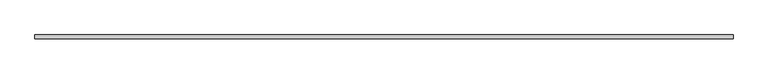
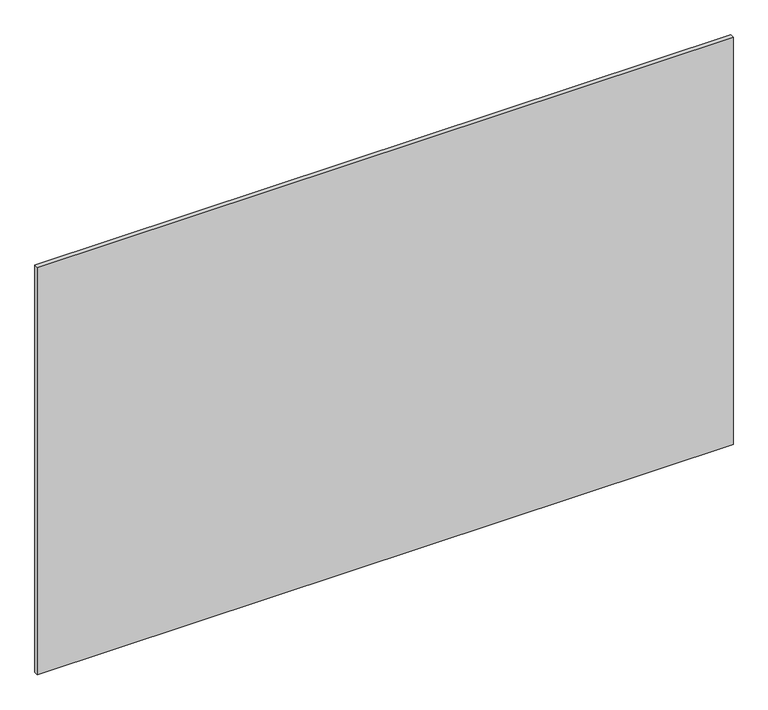
"""IFC4 building model written with IfcOpenShell, lengths in millimetres: plate geometry."""

from ifc_helpers import new_model, si_unit, origin, origin_with_axes, place, context, project, spatial, polyline, outline, extrude, source, transform, mapped, element, save


def plate_ed0ba082(model_context):
    return source(origin(), model_context, "Body", "SweptSolid", [
        extrude(outline(polyline([(1837.5, 20.0), (-1837.5, 20.0), (-1837.5, 40.0), (1837.5, 40.0), (1837.5, 20.0)])), origin_with_axes(), (0.0, 0.0, 1.0), 2275.0),
    ])


if __name__ == "__main__":
    model = new_model("IFC4")
    model_context = context("Model", 3, world=origin())
    ifc_project = project(units=[si_unit("LENGTHUNIT", "METRE", prefix="MILLI")], contexts=[model_context])
    site = spatial("IfcSite", under=ifc_project)
    building = spatial("IfcBuilding", under=site)
    placement = place(None, origin())
    plate_shape = plate_ed0ba082(model_context)
    element("IfcPlate", 1, at=placement, inside=building, context=model_context, shape_type="MappedRepresentation", body=[
        mapped(plate_shape, transform((0.0, 0.0, 0.0), x_axis=(1.0, 0.0, 0.0), y_axis=(0.0, 1.0, 0.0), z_axis=(0.0, 0.0, 1.0))),
    ])
    save(model, "model.ifc")
